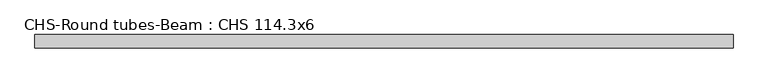
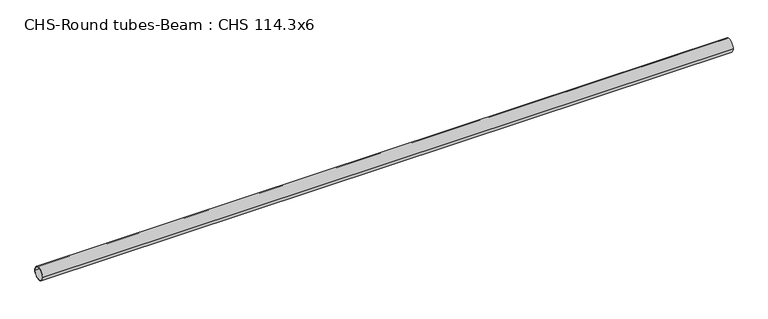
"""IFC4 building model written with IfcOpenShell, lengths in millimetres: beam geometry, CHS-Round tubes-Beam : CHS 114.3x6."""

from ifc_helpers import new_model, si_unit, point, frame, origin, origin_2d, place, context, project, spatial, circle_curve, trimmed, segment, composite_curve, outline, extrude, source, transform, mapped, element, save


def chs_round_tubes_beam_chs_114_3x6_dbce69b6(model_context):
    return source(origin(), model_context, "Body", "SweptSolid", [
        extrude(outline(composite_curve([segment(trimmed(circle_curve(origin_2d(), 57.15), [point((57.15, 0.0))], [point((-57.15, 0.0))], False, "CARTESIAN"), True, "CONTINUOUS"), segment(trimmed(circle_curve(origin_2d(), 57.15), [point((-57.15, 0.0))], [point((57.15, 0.0))], False, "CARTESIAN"), True, "CONTINUOUS")], self_intersect=False), holes=[composite_curve([segment(trimmed(circle_curve(origin_2d(), 51.15), [point((51.15, 0.0))], [point((-51.15, 0.0))], True, "CARTESIAN"), True, "CONTINUOUS"), segment(trimmed(circle_curve(origin_2d(), 51.15), [point((-51.15, 0.0))], [point((51.15, 0.0))], True, "CARTESIAN"), True, "CONTINUOUS")], self_intersect=False)]), frame((-3192.43124, 0.0, 0.0), z_axis=(1.0, 0.0, 0.0), x_axis=(0.0, 1.0, 0.0)), (0.0, 0.0, 1.0), 5963.535979),
    ])


if __name__ == "__main__":
    model = new_model("IFC4")
    model_context = context("Model", 3, world=origin())
    ifc_project = project(units=[si_unit("LENGTHUNIT", "METRE", prefix="MILLI")], contexts=[model_context])
    site = spatial("IfcSite", under=ifc_project)
    building = spatial("IfcBuilding", under=site)
    placement = place(None, origin())
    chs_round_tubes_beam_chs_114_3x6_shape = chs_round_tubes_beam_chs_114_3x6_dbce69b6(model_context)
    element("IfcBeam", 1, ObjectType="CHS-Round tubes-Beam : CHS 114.3x6", at=placement, inside=building, context=model_context, shape_type="MappedRepresentation", body=[
        mapped(chs_round_tubes_beam_chs_114_3x6_shape, transform((0.0, 0.0, 0.0), x_axis=(1.0, 0.0, 0.0), y_axis=(0.0, 1.0, 0.0), z_axis=(0.0, 0.0, 1.0))),
    ])
    save(model, "model.ifc")
